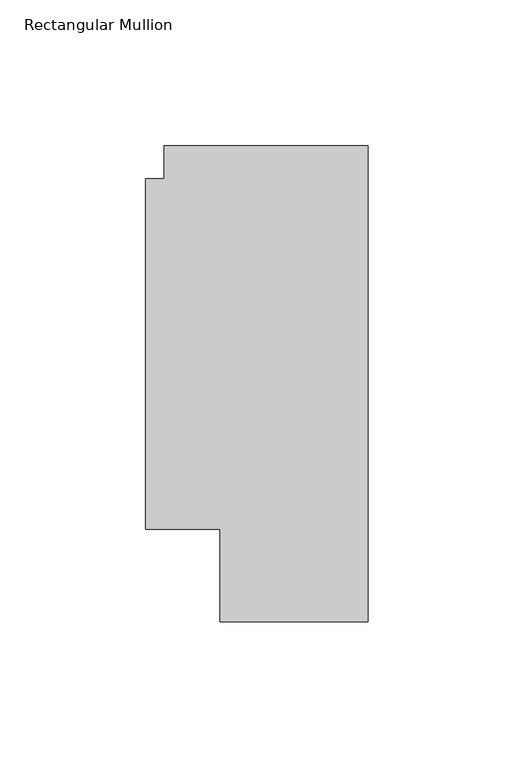
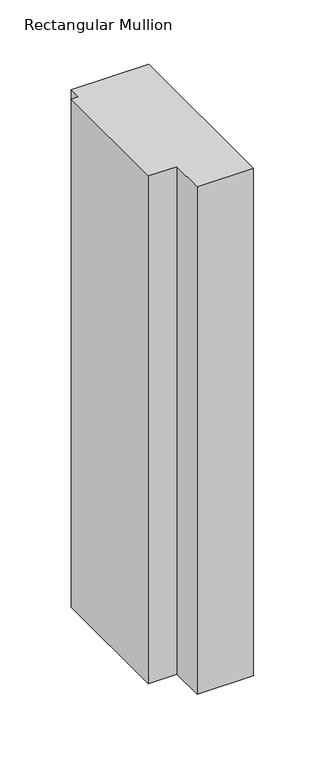
"""IFC4 building model written with IfcOpenShell, lengths in millimetres: member geometry, Rectangular Mullion."""

from ifc_helpers import new_model, si_unit, frame, origin, place, context, project, spatial, polyline, outline, extrude, source, transform, mapped, element, save


def rectangular_mullion_6d373be7(model_context):
    return source(origin(), model_context, "Body", "SweptSolid", [
        extrude(outline(polyline([(-69.85, 163.068), (0.0, 163.068), (0.0, 0.0), (-50.7999999, 0.0), (-50.7999999, 31.75), (-76.1999999, 31.75), (-76.1999999, 151.892), (-69.85, 151.892), (-69.85, 163.068)])), frame((0.0, 0.0, -482.9611861), z_axis=(0.0, 0.0, 1.0), x_axis=(1.0, 0.0, 0.0)), (0.0, 0.0, 1.0), 482.9611861),
    ])


if __name__ == "__main__":
    model = new_model("IFC4")
    model_context = context("Model", 3, world=origin())
    ifc_project = project(units=[si_unit("LENGTHUNIT", "METRE", prefix="MILLI")], contexts=[model_context])
    site = spatial("IfcSite", under=ifc_project)
    building = spatial("IfcBuilding", under=site)
    placement = place(None, origin())
    rectangular_mullion_shape = rectangular_mullion_6d373be7(model_context)
    element("IfcMember", 1, ObjectType="Rectangular Mullion", at=placement, inside=building, context=model_context, shape_type="MappedRepresentation", body=[
        mapped(rectangular_mullion_shape, transform((0.0, 0.0, 0.0), x_axis=(1.0, 0.0, 0.0), y_axis=(0.0, 1.0, 0.0), z_axis=(0.0, 0.0, 1.0))),
    ])
    save(model, "model.ifc")
